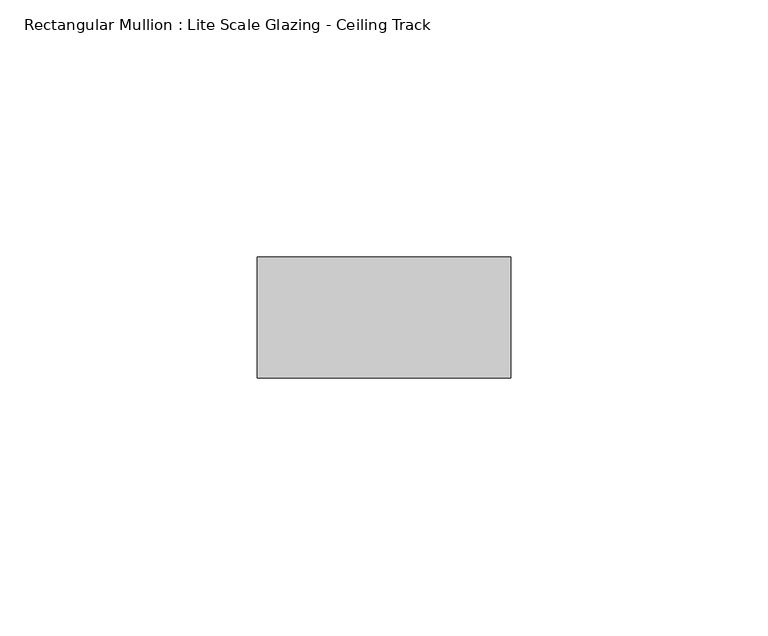
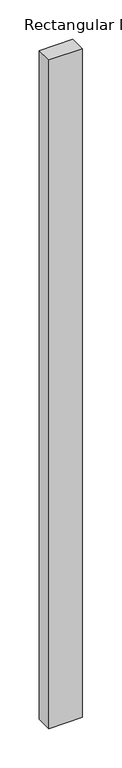
"""IFC4 building model written with IfcOpenShell, lengths in millimetres: member geometry, Rectangular Mullion : Lite Scale Glazing - Ceiling Track."""

import ifcopenshell
import ifcopenshell.guid

model = None  # the IFC model being written
_history = None  # IfcOwnerHistory: only IFC2X3 demands one
_inside = {}  # id of a spatial element -> (the spatial element, [elements in it])
_under = {}  # id of a project, library or spatial element -> (it, [spatial elements below it])
_declared = {}  # id of a project -> (the project, [libraries it declares])
_typed = {}  # id of a type object -> (the type object, [elements of that type])
_made_of = {}  # id of a material, layer set ... -> (it, [elements and type objects made of it])


def new_model(schema):
    """Start an empty IFC model of exactly this schema.

    Asked for "IFC4X3", IfcOpenShell would pick the latest addendum, in which some entities
    have other attributes; the version numbers below select the first issue.
    IFC2X3 requires an IfcOwnerHistory on every rooted entity: one is made here for all.
    """
    global model, _history
    if schema == "IFC4X3":
        model = ifcopenshell.file(schema_version=(4, 3, 0, 0))
    else:
        model = ifcopenshell.file(schema=schema)
    _inside.clear()
    _under.clear()
    _declared.clear()
    _typed.clear()
    _made_of.clear()
    _history = None
    if model.schema == "IFC2X3":
        org = make("IfcOrganization", Name="unknown")
        user = make(
            "IfcPersonAndOrganization",
            ThePerson=make("IfcPerson", FamilyName="unknown"),
            TheOrganization=org,
        )
        app = make(
            "IfcApplication",
            ApplicationDeveloper=org,
            Version="unknown",
            ApplicationFullName="unknown",
            ApplicationIdentifier="unknown",
        )
        _history = make(
            "IfcOwnerHistory",
            OwningUser=user,
            OwningApplication=app,
            ChangeAction="ADDED",
            CreationDate=0,
        )
    return model


def make(cls, **values):
    """One entity of the class cls with the attributes given. An attribute that is None is left unset."""
    return model.create_entity(
        cls, **{name: value for name, value in values.items() if value is not None}
    )


def rooted(cls, **values):
    """An entity with a GlobalId (a new one), such as an element, a storey or a relation."""
    return make(cls, GlobalId=ifcopenshell.guid.new(), OwnerHistory=_history, **values)


def si_unit(unit_type, name, prefix=None):
    """IfcSIUnit, for example si_unit("LENGTHUNIT", "METRE", prefix="MILLI")."""
    return make("IfcSIUnit", UnitType=unit_type, Prefix=prefix, Name=name)


def assignment(units):
    """IfcUnitAssignment: the units of a project."""
    return None if units is None else make("IfcUnitAssignment", Units=units)


def point(xyz):
    """IfcCartesianPoint."""
    return None if xyz is None else make("IfcCartesianPoint", Coordinates=xyz)


def direction(xyz):
    """IfcDirection."""
    return None if xyz is None else make("IfcDirection", DirectionRatios=xyz)


def frame(location, z_axis=None, x_axis=None):
    """IfcAxis2Placement3D, a coordinate frame: its origin and axes. An axis left out is left unset."""
    return make(
        "IfcAxis2Placement3D",
        Location=point(location),
        Axis=direction(z_axis),
        RefDirection=direction(x_axis),
    )


def origin():
    """The frame at (0, 0, 0) with its axes left unset."""
    return frame((0.0, 0.0, 0.0))


def place(relative_to, where):
    """IfcLocalPlacement: puts the frame where relative to a parent placement (None: the world)."""
    return make(
        "IfcLocalPlacement", PlacementRelTo=relative_to, RelativePlacement=where
    )


def context(
    kind, dimensions, precision=None, world=None, true_north=None, identifier=None
):
    """IfcGeometricRepresentationContext, for example the 3D "Model" context."""
    return make(
        "IfcGeometricRepresentationContext",
        ContextIdentifier=identifier,
        ContextType=kind,
        CoordinateSpaceDimension=dimensions,
        Precision=precision,
        WorldCoordinateSystem=world,
        TrueNorth=true_north,
    )


def project(units=None, contexts=None):
    """IfcProject with its units and contexts."""
    return rooted(
        "IfcProject",
        Name="project",
        RepresentationContexts=contexts,
        UnitsInContext=assignment(units),
    )


def spatial(cls, under=None, at=None, **own):
    """A site, building, storey or space (cls), placed at a placement, below another one or the project."""
    s = rooted(cls, ObjectPlacement=at, **own)
    if under is not None:
        _under.setdefault(under.id(), (under, []))[1].append(s)
    return s


def polyline(points):
    """IfcPolyline through the points."""
    return make("IfcPolyline", Points=[point(p) for p in points])


def outline(outer, holes=None, kind="AREA"):
    """IfcArbitraryClosedProfileDef: a profile drawn as a closed curve; with holes, ...WithVoids."""
    if holes is None:
        return make("IfcArbitraryClosedProfileDef", ProfileType=kind, OuterCurve=outer)
    return make(
        "IfcArbitraryProfileDefWithVoids",
        ProfileType=kind,
        OuterCurve=outer,
        InnerCurves=holes,
    )


def extrude(swept, where, along, depth):
    """IfcExtrudedAreaSolid: the profile swept, set in the frame where, extruded along a direction by depth."""
    return make(
        "IfcExtrudedAreaSolid",
        SweptArea=swept,
        Position=where,
        ExtrudedDirection=direction(along),
        Depth=depth,
    )


def shape(context_of_items, identifier, shape_type, items):
    """IfcShapeRepresentation: the items that make up one representation, for example the "Body"."""
    return make(
        "IfcShapeRepresentation",
        ContextOfItems=context_of_items,
        RepresentationIdentifier=identifier,
        RepresentationType=shape_type,
        Items=items,
    )


def source(mapping_origin, context_of_items, identifier, shape_type, items):
    """IfcRepresentationMap: a shape defined once, which mapped items show again and again."""
    return make(
        "IfcRepresentationMap",
        MappingOrigin=mapping_origin,
        MappedRepresentation=shape(context_of_items, identifier, shape_type, items),
    )


def transform(
    local_origin,
    x_axis=None,
    y_axis=None,
    z_axis=None,
    scale=None,
    scale2=None,
    scale3=None,
    uniform=True,
):
    """IfcCartesianTransformationOperator3D, or its non-uniform kind. x_axis, y_axis, z_axis: its Axis1, 2, 3."""
    if uniform:
        return make(
            "IfcCartesianTransformationOperator3D",
            Axis1=direction(x_axis),
            Axis2=direction(y_axis),
            LocalOrigin=point(local_origin),
            Scale=scale,
            Axis3=direction(z_axis),
        )
    return make(
        "IfcCartesianTransformationOperator3DnonUniform",
        Axis1=direction(x_axis),
        Axis2=direction(y_axis),
        LocalOrigin=point(local_origin),
        Scale=scale,
        Axis3=direction(z_axis),
        Scale2=scale2,
        Scale3=scale3,
    )


def mapped(mapping_source, mapping_target):
    """IfcMappedItem: shows the shape of a source again, moved by a transform."""
    return make(
        "IfcMappedItem", MappingSource=mapping_source, MappingTarget=mapping_target
    )


def made_of(thing, what):
    """Note that an element or type object is made of a material, layer set ...; save() writes the relation."""
    if what is not None:
        _made_of.setdefault(what.id(), (what, []))[1].append(thing)
    return thing


def element(
    cls,
    number,
    at=None,
    inside=None,
    cuts=None,
    type_object=None,
    material=None,
    context=None,
    identifier="Body",
    shape_type=None,
    held_by="IfcProductDefinitionShape",
    body=None,
    shapes=None,
    **own,
):
    """One element of the class cls, such as IfcWall. Its Tag is "e" and its number.

    at: its placement. inside: the storey or other place that contains it. cuts: it is an
    opening in that element (IfcRelVoidsElement). A single representation is given by context,
    identifier, shape_type and body (its items); several are given by shapes. held_by: the class
    of the entity that holds the representations. save() writes the other relations.
    """
    e = rooted(cls, Tag="e%d" % number, ObjectPlacement=at, **own)
    if body is not None:
        shapes = [shape(context, identifier, shape_type, body)]
    if shapes is not None:
        e.Representation = make(held_by, Representations=shapes)
    if inside is not None:
        _inside.setdefault(inside.id(), (inside, []))[1].append(e)
    if cuts is not None:
        rooted(
            "IfcRelVoidsElement", RelatingBuildingElement=cuts, RelatedOpeningElement=e
        )
    if type_object is not None:
        _typed.setdefault(type_object.id(), (type_object, []))[1].append(e)
    return made_of(e, material)


def aggregate(whole, parts):
    """IfcRelAggregates: a whole, such as a stair, and the parts it consists of."""
    return rooted("IfcRelAggregates", RelatingObject=whole, RelatedObjects=parts)


def save(model, path):
    """Write the relations noted so far, then the file.

    IfcRelAggregates (storeys below a building ...), IfcRelContainedInSpatialStructure (elements
    in a storey), IfcRelDefinesByType, IfcRelAssociatesMaterial and IfcRelDeclares: one each for
    every whole, place, type object, material and project.
    """
    for whole, parts in _under.values():
        aggregate(whole, parts)
    for where, things in _inside.values():
        rooted(
            "IfcRelContainedInSpatialStructure",
            RelatedElements=things,
            RelatingStructure=where,
        )
    for kind, things in _typed.values():
        rooted("IfcRelDefinesByType", RelatedObjects=things, RelatingType=kind)
    for what, things in _made_of.values():
        rooted("IfcRelAssociatesMaterial", RelatedObjects=things, RelatingMaterial=what)
    for by, libraries in _declared.values():
        rooted("IfcRelDeclares", RelatingContext=by, RelatedDefinitions=libraries)
    model.write(path)


def rectangular_mullion_lite_scale_glazing_ceiling_track_d977c707(model_context):
    return source(origin(), model_context, "Body", "SweptSolid", [
        extrude(outline(polyline([(-49.276, -11.7474999), (-49.276, 11.7474999), (0.0, 11.7474999), (0.0, -11.7474999), (-49.276, -11.7474999)])), frame((0.0, 0.0, -1036.9391435), z_axis=(0.0, 0.0, 1.0), x_axis=(1.0, 0.0, 0.0)), (0.0, 0.0, 1.0), 1036.9391435),
    ])


if __name__ == "__main__":
    model = new_model("IFC4")
    model_context = context("Model", 3, world=origin())
    ifc_project = project(units=[si_unit("LENGTHUNIT", "METRE", prefix="MILLI")], contexts=[model_context])
    site = spatial("IfcSite", under=ifc_project)
    building = spatial("IfcBuilding", under=site)
    placement = place(None, origin())
    rectangular_mullion_lite_scale_glazing_ceiling_track_shape = rectangular_mullion_lite_scale_glazing_ceiling_track_d977c707(model_context)
    element("IfcMember", 1, ObjectType="Rectangular Mullion : Lite Scale Glazing - Ceiling Track", at=placement, inside=building, context=model_context, shape_type="MappedRepresentation", body=[
        mapped(rectangular_mullion_lite_scale_glazing_ceiling_track_shape, transform((0.0, 0.0, 0.0), x_axis=(1.0, 0.0, 0.0), y_axis=(0.0, 1.0, 0.0), z_axis=(0.0, 0.0, 1.0))),
    ])
    save(model, "model.ifc")
